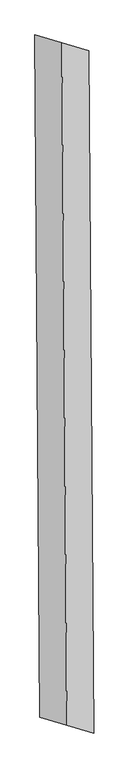
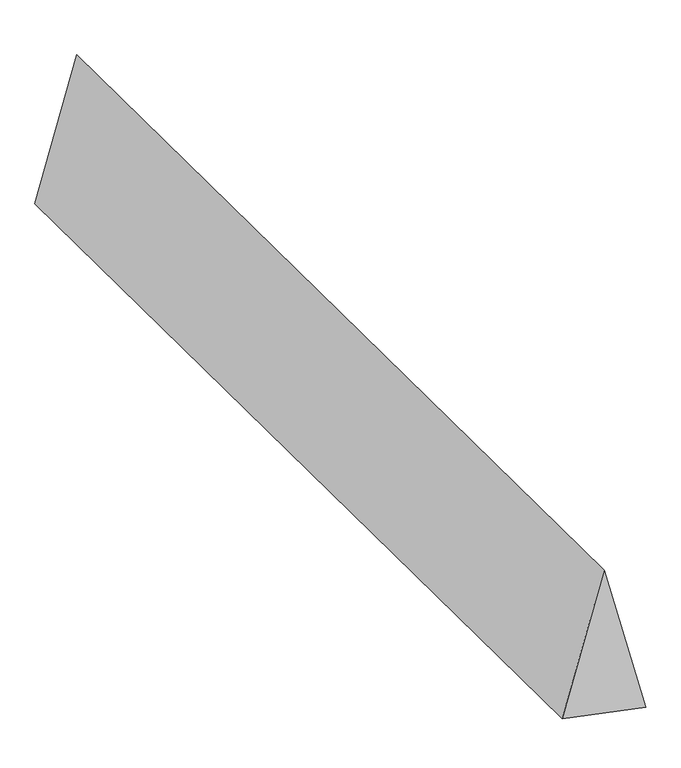
"""IFC4 building model written with IfcOpenShell, lengths in millimetres: proxy geometry."""

from ifc_helpers import new_model, si_unit, origin, place, context, project, spatial, faceted_brep, source, transform, mapped, element, save


def generic_models_0d1ad76a(model_context):
    return source(origin(), model_context, "Body", "Brep", [
        faceted_brep([(15.217658, -2089.8528676, 700.0), (180.874718, -2138.7655371, 0.0), (150.4394019, 2040.9401981, 0.0), (-15.217658, 2089.8528676, 700.0), (-150.4394019, -2040.9401981, 0.0), (-180.874718, 2138.7655371, 0.0)], [[[0, 1, 2, 3]], [[1, 4, 5, 2]], [[4, 0, 3, 5]], [[3, 2, 5]], [[0, 4, 1]]]),
    ])


if __name__ == "__main__":
    model = new_model("IFC4")
    model_context = context("Model", 3, world=origin())
    ifc_project = project(units=[si_unit("LENGTHUNIT", "METRE", prefix="MILLI")], contexts=[model_context])
    site = spatial("IfcSite", under=ifc_project)
    building = spatial("IfcBuilding", under=site)
    placement = place(None, origin())
    generic_models_shape = generic_models_0d1ad76a(model_context)
    element("IfcBuildingElementProxy", 1, Name="Generic Models", at=placement, inside=building, context=model_context, shape_type="MappedRepresentation", body=[
        mapped(generic_models_shape, transform((0.0, 0.0, 0.0), x_axis=(1.0, 0.0, 0.0), y_axis=(0.0, 1.0, 0.0), z_axis=(0.0, 0.0, 1.0))),
    ])
    save(model, "model.ifc")
